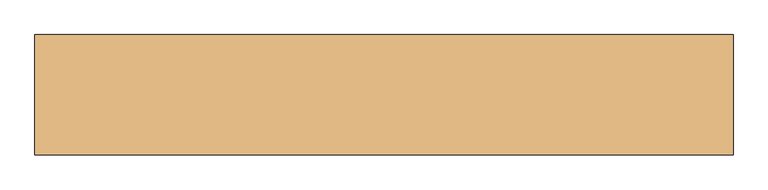
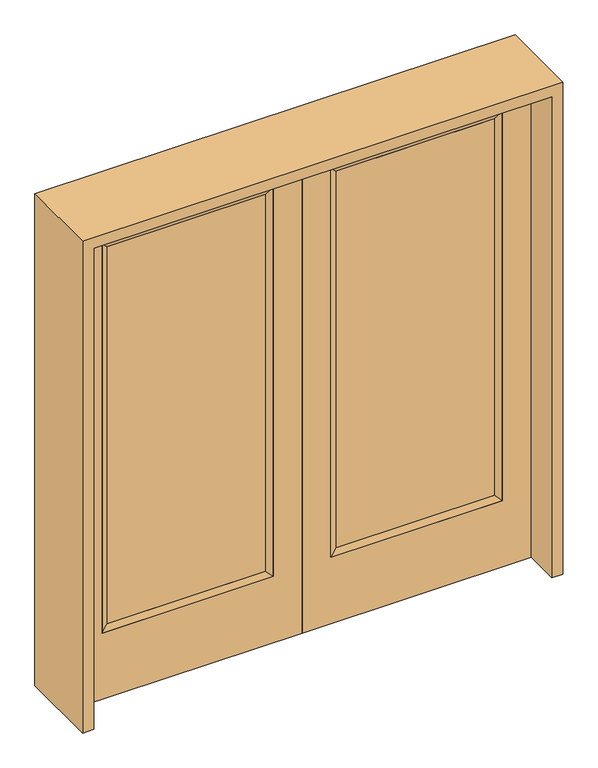
"""IFC4 building model written with IfcOpenShell, lengths in millimetres: door geometry."""

from ifc_helpers import new_model, si_unit, frame, origin, place, context, project, spatial, polyline, outline, extrude, faceted_brep, source, transform, mapped, element, save


def door_0da5b286(model_context):
    return source(origin(), model_context, "Body", "SolidModel", [
        extrude(outline(polyline([(140.8176, -12.7039749), (140.8176, 14.2875), (773.5824, 14.2875), (773.5824, -12.7039749), (140.8176, -12.7039749)])), frame((0.0, 0.0, 304.8), z_axis=(0.0, 0.0, 1.0), x_axis=(1.0, 0.0, 0.0)), (0.0, 0.0, 1.0), 1590.675),
        faceted_brep([(140.8176, 14.2875, 1895.475), (140.8176, 14.2875, 304.8), (115.4176, 22.225, 279.4), (115.4176, 22.225, 1920.875), (115.4176, -22.225, 279.4), (115.4176, -22.225, 1920.875), (773.5824, 14.2875, 304.8), (798.9824, 22.225, 279.4), (140.8176, -12.7039749, 1895.475), (140.8176, -12.7039749, 304.8), (773.5824, -12.7039749, 304.8), (798.9824, -22.225, 279.4), (773.5824, 14.2875, 1895.475), (798.9824, 22.225, 1920.875), (773.5824, -12.7039749, 1895.475), (798.9824, -22.225, 1920.875)], [[[0, 1, 2, 3]], [[3, 2, 4, 5]], [[1, 6, 7, 2]], [[8, 9, 1, 0]], [[9, 10, 6, 1]], [[5, 4, 9, 8]], [[4, 11, 10, 9]], [[2, 7, 11, 4]], [[6, 12, 13, 7]], [[10, 14, 12, 6]], [[11, 15, 14, 10]], [[7, 13, 15, 11]], [[12, 0, 3, 13]], [[14, 8, 0, 12]], [[15, 5, 8, 14]], [[13, 3, 5, 15]]]),
        extrude(outline(polyline([(0.0, 914.4), (2032.0, 914.4), (2032.0, 0.0), (0.0, 0.0), (0.0, 914.4)]), holes=[polyline([(279.4, 798.9824), (279.4, 115.4176), (1920.875, 115.4176), (1920.875, 798.9824), (279.4, 798.9824)])]), frame((0.0, -22.225, 0.0), z_axis=(0.0, 1.0, 0.0), x_axis=(0.0, 0.0, 1.0)), (0.0, 0.0, 1.0), 44.45),
        extrude(outline(polyline([(-140.8176, -12.7039749), (-773.5824, -12.7039749), (-773.5824, 14.2875), (-140.8176, 14.2875), (-140.8176, -12.7039749)])), frame((0.0, 0.0, 304.8), z_axis=(0.0, 0.0, 1.0), x_axis=(1.0, 0.0, 0.0)), (0.0, 0.0, 1.0), 1590.675),
        faceted_brep([(-140.8176, 14.2875, 1895.475), (-115.4176, 22.225, 1920.875), (-115.4176, 22.225, 279.4), (-140.8176, 14.2875, 304.8), (-115.4176, -22.225, 1920.875), (-115.4176, -22.225, 279.4), (-798.9824, 22.225, 279.4), (-773.5824, 14.2875, 304.8), (-140.8176, -12.7039749, 1895.475), (-140.8176, -12.7039749, 304.8), (-773.5824, -12.7039749, 304.8), (-798.9824, -22.225, 279.4), (-798.9824, 22.225, 1920.875), (-773.5824, 14.2875, 1895.475), (-773.5824, -12.7039749, 1895.475), (-798.9824, -22.225, 1920.875)], [[[0, 1, 2, 3]], [[1, 4, 5, 2]], [[3, 2, 6, 7]], [[8, 0, 3, 9]], [[9, 3, 7, 10]], [[4, 8, 9, 5]], [[5, 9, 10, 11]], [[2, 5, 11, 6]], [[7, 6, 12, 13]], [[10, 7, 13, 14]], [[11, 10, 14, 15]], [[6, 11, 15, 12]], [[13, 12, 1, 0]], [[14, 13, 0, 8]], [[15, 14, 8, 4]], [[12, 15, 4, 1]]]),
        extrude(outline(polyline([(0.0, -914.4), (0.0, 0.0), (2032.0, 0.0), (2032.0, -914.4), (0.0, -914.4)]), holes=[polyline([(279.4, -798.9824), (1920.875, -798.9824), (1920.875, -115.4176), (279.4, -115.4176), (279.4, -798.9824)])]), frame((0.0, -22.225, 0.0), z_axis=(0.0, 1.0, 0.0), x_axis=(0.0, 0.0, 1.0)), (0.0, 0.0, 1.0), 44.45),
        extrude(outline(polyline([(2076.45, -958.85), (0.0, -958.85), (0.0, -914.4), (2032.0, -914.4), (2032.0, 914.4), (0.0, 914.4), (0.0, 958.85), (2076.45, 958.85), (2076.45, -958.85)])), frame((0.0, -165.1, 0.0), z_axis=(0.0, 1.0, 0.0), x_axis=(0.0, 0.0, 1.0)), (0.0, 0.0, 1.0), 330.2),
    ])


if __name__ == "__main__":
    model = new_model("IFC4")
    model_context = context("Model", 3, world=origin())
    ifc_project = project(units=[si_unit("LENGTHUNIT", "METRE", prefix="MILLI")], contexts=[model_context])
    site = spatial("IfcSite", under=ifc_project)
    building = spatial("IfcBuilding", under=site)
    placement = place(None, origin())
    door_shape = door_0da5b286(model_context)
    element("IfcDoor", 1, at=placement, inside=building, context=model_context, shape_type="MappedRepresentation", body=[
        mapped(door_shape, transform((0.0, 0.0, 0.0), x_axis=(1.0, 0.0, 0.0), y_axis=(0.0, 1.0, 0.0), z_axis=(0.0, 0.0, 1.0))),
    ])
    save(model, "model.ifc")
